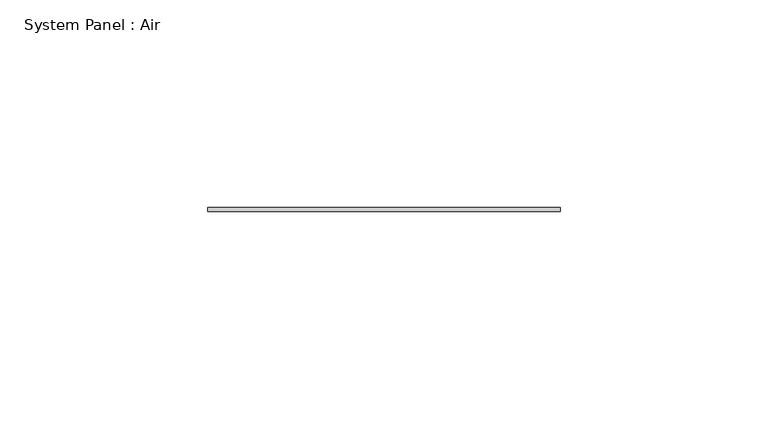
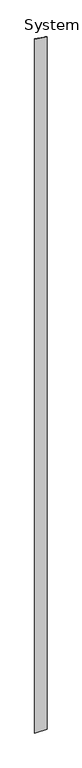
"""IFC4 building model written with IfcOpenShell, lengths in millimetres: plate geometry, System Panel : Air."""

import ifcopenshell
import ifcopenshell.guid

model = None  # the IFC model being written
_history = None  # IfcOwnerHistory: only IFC2X3 demands one
_inside = {}  # id of a spatial element -> (the spatial element, [elements in it])
_under = {}  # id of a project, library or spatial element -> (it, [spatial elements below it])
_declared = {}  # id of a project -> (the project, [libraries it declares])
_typed = {}  # id of a type object -> (the type object, [elements of that type])
_made_of = {}  # id of a material, layer set ... -> (it, [elements and type objects made of it])


def new_model(schema):
    """Start an empty IFC model of exactly this schema.

    Asked for "IFC4X3", IfcOpenShell would pick the latest addendum, in which some entities
    have other attributes; the version numbers below select the first issue.
    IFC2X3 requires an IfcOwnerHistory on every rooted entity: one is made here for all.
    """
    global model, _history
    if schema == "IFC4X3":
        model = ifcopenshell.file(schema_version=(4, 3, 0, 0))
    else:
        model = ifcopenshell.file(schema=schema)
    _inside.clear()
    _under.clear()
    _declared.clear()
    _typed.clear()
    _made_of.clear()
    _history = None
    if model.schema == "IFC2X3":
        org = make("IfcOrganization", Name="unknown")
        user = make(
            "IfcPersonAndOrganization",
            ThePerson=make("IfcPerson", FamilyName="unknown"),
            TheOrganization=org,
        )
        app = make(
            "IfcApplication",
            ApplicationDeveloper=org,
            Version="unknown",
            ApplicationFullName="unknown",
            ApplicationIdentifier="unknown",
        )
        _history = make(
            "IfcOwnerHistory",
            OwningUser=user,
            OwningApplication=app,
            ChangeAction="ADDED",
            CreationDate=0,
        )
    return model


def make(cls, **values):
    """One entity of the class cls with the attributes given. An attribute that is None is left unset."""
    return model.create_entity(
        cls, **{name: value for name, value in values.items() if value is not None}
    )


def rooted(cls, **values):
    """An entity with a GlobalId (a new one), such as an element, a storey or a relation."""
    return make(cls, GlobalId=ifcopenshell.guid.new(), OwnerHistory=_history, **values)


def si_unit(unit_type, name, prefix=None):
    """IfcSIUnit, for example si_unit("LENGTHUNIT", "METRE", prefix="MILLI")."""
    return make("IfcSIUnit", UnitType=unit_type, Prefix=prefix, Name=name)


def assignment(units):
    """IfcUnitAssignment: the units of a project."""
    return None if units is None else make("IfcUnitAssignment", Units=units)


def point(xyz):
    """IfcCartesianPoint."""
    return None if xyz is None else make("IfcCartesianPoint", Coordinates=xyz)


def direction(xyz):
    """IfcDirection."""
    return None if xyz is None else make("IfcDirection", DirectionRatios=xyz)


def frame(location, z_axis=None, x_axis=None):
    """IfcAxis2Placement3D, a coordinate frame: its origin and axes. An axis left out is left unset."""
    return make(
        "IfcAxis2Placement3D",
        Location=point(location),
        Axis=direction(z_axis),
        RefDirection=direction(x_axis),
    )


def origin():
    """The frame at (0, 0, 0) with its axes left unset."""
    return frame((0.0, 0.0, 0.0))


def place(relative_to, where):
    """IfcLocalPlacement: puts the frame where relative to a parent placement (None: the world)."""
    return make(
        "IfcLocalPlacement", PlacementRelTo=relative_to, RelativePlacement=where
    )


def context(
    kind, dimensions, precision=None, world=None, true_north=None, identifier=None
):
    """IfcGeometricRepresentationContext, for example the 3D "Model" context."""
    return make(
        "IfcGeometricRepresentationContext",
        ContextIdentifier=identifier,
        ContextType=kind,
        CoordinateSpaceDimension=dimensions,
        Precision=precision,
        WorldCoordinateSystem=world,
        TrueNorth=true_north,
    )


def project(units=None, contexts=None):
    """IfcProject with its units and contexts."""
    return rooted(
        "IfcProject",
        Name="project",
        RepresentationContexts=contexts,
        UnitsInContext=assignment(units),
    )


def spatial(cls, under=None, at=None, **own):
    """A site, building, storey or space (cls), placed at a placement, below another one or the project."""
    s = rooted(cls, ObjectPlacement=at, **own)
    if under is not None:
        _under.setdefault(under.id(), (under, []))[1].append(s)
    return s


def polyline(points):
    """IfcPolyline through the points."""
    return make("IfcPolyline", Points=[point(p) for p in points])


def outline(outer, holes=None, kind="AREA"):
    """IfcArbitraryClosedProfileDef: a profile drawn as a closed curve; with holes, ...WithVoids."""
    if holes is None:
        return make("IfcArbitraryClosedProfileDef", ProfileType=kind, OuterCurve=outer)
    return make(
        "IfcArbitraryProfileDefWithVoids",
        ProfileType=kind,
        OuterCurve=outer,
        InnerCurves=holes,
    )


def extrude(swept, where, along, depth):
    """IfcExtrudedAreaSolid: the profile swept, set in the frame where, extruded along a direction by depth."""
    return make(
        "IfcExtrudedAreaSolid",
        SweptArea=swept,
        Position=where,
        ExtrudedDirection=direction(along),
        Depth=depth,
    )


def shape(context_of_items, identifier, shape_type, items):
    """IfcShapeRepresentation: the items that make up one representation, for example the "Body"."""
    return make(
        "IfcShapeRepresentation",
        ContextOfItems=context_of_items,
        RepresentationIdentifier=identifier,
        RepresentationType=shape_type,
        Items=items,
    )


def source(mapping_origin, context_of_items, identifier, shape_type, items):
    """IfcRepresentationMap: a shape defined once, which mapped items show again and again."""
    return make(
        "IfcRepresentationMap",
        MappingOrigin=mapping_origin,
        MappedRepresentation=shape(context_of_items, identifier, shape_type, items),
    )


def transform(
    local_origin,
    x_axis=None,
    y_axis=None,
    z_axis=None,
    scale=None,
    scale2=None,
    scale3=None,
    uniform=True,
):
    """IfcCartesianTransformationOperator3D, or its non-uniform kind. x_axis, y_axis, z_axis: its Axis1, 2, 3."""
    if uniform:
        return make(
            "IfcCartesianTransformationOperator3D",
            Axis1=direction(x_axis),
            Axis2=direction(y_axis),
            LocalOrigin=point(local_origin),
            Scale=scale,
            Axis3=direction(z_axis),
        )
    return make(
        "IfcCartesianTransformationOperator3DnonUniform",
        Axis1=direction(x_axis),
        Axis2=direction(y_axis),
        LocalOrigin=point(local_origin),
        Scale=scale,
        Axis3=direction(z_axis),
        Scale2=scale2,
        Scale3=scale3,
    )


def mapped(mapping_source, mapping_target):
    """IfcMappedItem: shows the shape of a source again, moved by a transform."""
    return make(
        "IfcMappedItem", MappingSource=mapping_source, MappingTarget=mapping_target
    )


def made_of(thing, what):
    """Note that an element or type object is made of a material, layer set ...; save() writes the relation."""
    if what is not None:
        _made_of.setdefault(what.id(), (what, []))[1].append(thing)
    return thing


def element(
    cls,
    number,
    at=None,
    inside=None,
    cuts=None,
    type_object=None,
    material=None,
    context=None,
    identifier="Body",
    shape_type=None,
    held_by="IfcProductDefinitionShape",
    body=None,
    shapes=None,
    **own,
):
    """One element of the class cls, such as IfcWall. Its Tag is "e" and its number.

    at: its placement. inside: the storey or other place that contains it. cuts: it is an
    opening in that element (IfcRelVoidsElement). A single representation is given by context,
    identifier, shape_type and body (its items); several are given by shapes. held_by: the class
    of the entity that holds the representations. save() writes the other relations.
    """
    e = rooted(cls, Tag="e%d" % number, ObjectPlacement=at, **own)
    if body is not None:
        shapes = [shape(context, identifier, shape_type, body)]
    if shapes is not None:
        e.Representation = make(held_by, Representations=shapes)
    if inside is not None:
        _inside.setdefault(inside.id(), (inside, []))[1].append(e)
    if cuts is not None:
        rooted(
            "IfcRelVoidsElement", RelatingBuildingElement=cuts, RelatedOpeningElement=e
        )
    if type_object is not None:
        _typed.setdefault(type_object.id(), (type_object, []))[1].append(e)
    return made_of(e, material)


def aggregate(whole, parts):
    """IfcRelAggregates: a whole, such as a stair, and the parts it consists of."""
    return rooted("IfcRelAggregates", RelatingObject=whole, RelatedObjects=parts)


def save(model, path):
    """Write the relations noted so far, then the file.

    IfcRelAggregates (storeys below a building ...), IfcRelContainedInSpatialStructure (elements
    in a storey), IfcRelDefinesByType, IfcRelAssociatesMaterial and IfcRelDeclares: one each for
    every whole, place, type object, material and project.
    """
    for whole, parts in _under.values():
        aggregate(whole, parts)
    for where, things in _inside.values():
        rooted(
            "IfcRelContainedInSpatialStructure",
            RelatedElements=things,
            RelatingStructure=where,
        )
    for kind, things in _typed.values():
        rooted("IfcRelDefinesByType", RelatedObjects=things, RelatingType=kind)
    for what, things in _made_of.values():
        rooted("IfcRelAssociatesMaterial", RelatedObjects=things, RelatingMaterial=what)
    for by, libraries in _declared.values():
        rooted("IfcRelDeclares", RelatingContext=by, RelatedDefinitions=libraries)
    model.write(path)


def system_panel_air_0c0811aa(model_context):
    return source(origin(), model_context, "Body", "SweptSolid", [
        extrude(outline(polyline([(0.0, -42.4050003), (0.0, 42.4050003), (5066.5541653, 42.4050003), (5079.0997917, -42.4050003), (0.0, -42.4050003)])), frame((0.0, 36.5, 0.0), z_axis=(0.0, 1.0, 0.0), x_axis=(0.0, 0.0, 1.0)), (0.0, 0.0, 1.0), 1.0),
    ])


if __name__ == "__main__":
    model = new_model("IFC4")
    model_context = context("Model", 3, world=origin())
    ifc_project = project(units=[si_unit("LENGTHUNIT", "METRE", prefix="MILLI")], contexts=[model_context])
    site = spatial("IfcSite", under=ifc_project)
    building = spatial("IfcBuilding", under=site)
    placement = place(None, origin())
    system_panel_air_shape = system_panel_air_0c0811aa(model_context)
    element("IfcPlate", 1, ObjectType="System Panel : Air", at=placement, inside=building, context=model_context, shape_type="MappedRepresentation", body=[
        mapped(system_panel_air_shape, transform((0.0, 0.0, 0.0), x_axis=(1.0, 0.0, 0.0), y_axis=(0.0, 1.0, 0.0), z_axis=(0.0, 0.0, 1.0))),
    ])
    save(model, "model.ifc")
